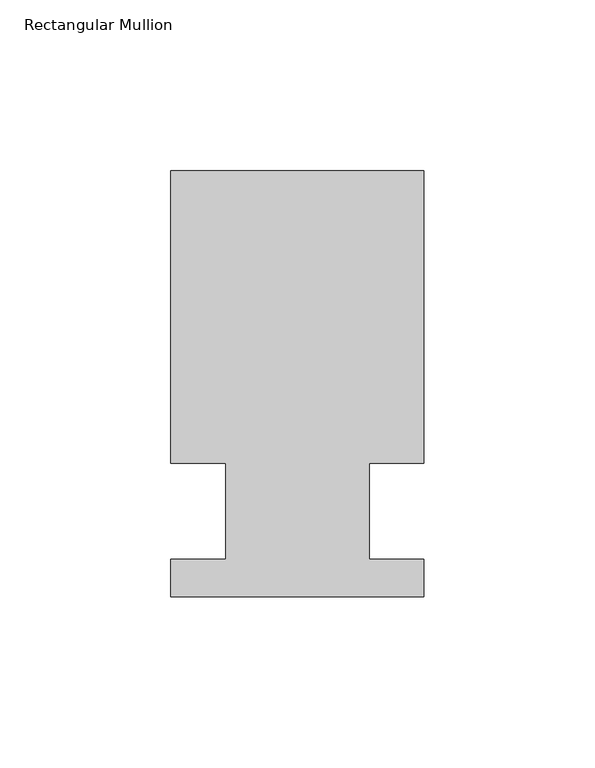
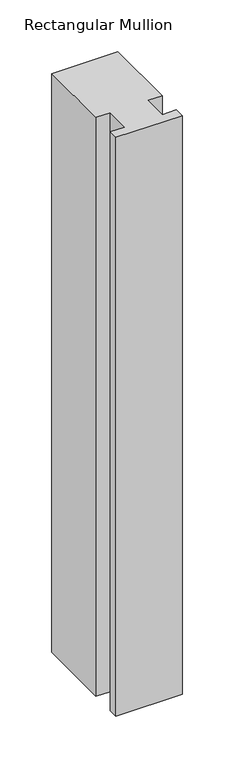
"""IFC4 building model written with IfcOpenShell, lengths in millimetres: member geometry, Rectangular Mullion."""

from ifc_helpers import new_model, si_unit, frame, origin, place, context, project, spatial, polyline, outline, extrude, source, transform, mapped, element, save


def rectangular_mullion_caebe7a6(model_context):
    return source(origin(), model_context, "Body", "SweptSolid", [
        extrude(outline(polyline([(-20.9800745, 13.9998907), (-37.0, 13.9998907), (-37.0, 99.5), (37.0, 99.5), (37.0, 13.9998907), (20.9800745, 13.9998907), (20.9800745, -14.0), (36.9800745, -14.0), (36.9800745, -25.0), (-37.0, -25.0), (-37.0, -14.0), (-20.9800745, -14.0), (-20.9800745, 13.9998907)])), frame((0.0, 0.0, -684.1000095), z_axis=(0.0, 0.0, 1.0), x_axis=(1.0, 0.0, 0.0)), (0.0, 0.0, 1.0), 684.1000095),
    ])


if __name__ == "__main__":
    model = new_model("IFC4")
    model_context = context("Model", 3, world=origin())
    ifc_project = project(units=[si_unit("LENGTHUNIT", "METRE", prefix="MILLI")], contexts=[model_context])
    site = spatial("IfcSite", under=ifc_project)
    building = spatial("IfcBuilding", under=site)
    placement = place(None, origin())
    rectangular_mullion_shape = rectangular_mullion_caebe7a6(model_context)
    element("IfcMember", 1, ObjectType="Rectangular Mullion", at=placement, inside=building, context=model_context, shape_type="MappedRepresentation", body=[
        mapped(rectangular_mullion_shape, transform((0.0, 0.0, 0.0), x_axis=(1.0, 0.0, 0.0), y_axis=(0.0, 1.0, 0.0), z_axis=(0.0, 0.0, 1.0))),
    ])
    save(model, "model.ifc")
